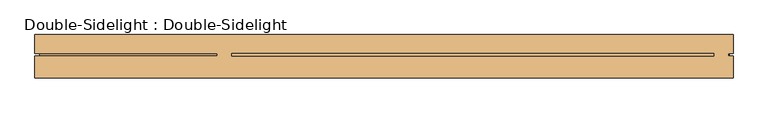
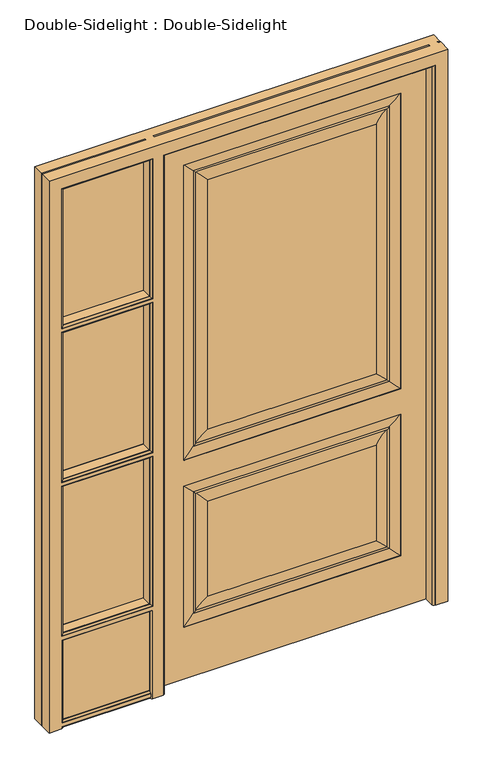
"""IFC4 building model written with IfcOpenShell, lengths in millimetres: door geometry, Double-Sidelight : Double-Sidelight."""

from ifc_helpers import new_model, si_unit, frame, origin, place, context, project, spatial, polyline, circle_curve, ellipse_curve, outline, extrude, source, transform, mapped, element, save
from ifc_brep_helpers import plane_surface, cylinder_surface, revolved_surface, advanced_brep


def double_sidelight_double_sidelight_c1c2709d(model_context):
    return source(origin(), model_context, "Body", "SolidModel", [
        advanced_brep(
        [(496.4, 0.0, 2086.6), (496.4, 44.45, 2086.6), (-496.4, 44.45, 2086.6), (-496.4, 0.0, 2086.6), (496.4, 0.0, 0.0), (-496.4, 0.0, 0.0), (-496.4, 44.45, 0.0), (496.4, 44.45, 0.0), (308.036302, 0.0, 657.1696353), (-308.036302, 0.0, 657.1696353), (-308.036302, 0.0, 288.363698), (308.036302, 0.0, 288.363698), (308.036302, 0.0, 1898.236302), (-308.036302, 0.0, 1898.236302), (-308.036302, 0.0, 933.8970313), (308.036302, 0.0, 933.8970313), (396.4, 0.0, 200.0), (-396.4, 0.0, 200.0), (-396.4, 0.0, 745.5333333), (396.4, 0.0, 745.5333333), (396.4, 0.0, 845.5333333), (-396.4, 0.0, 845.5333333), (-396.4, 0.0, 1986.6), (396.4, 0.0, 1986.6), (396.4, 1.0183566, 200.0), (396.4, 1.0183566, 745.5333333), (350.7336102, 6.6315511, 699.8669435), (350.7336102, 6.6315511, 245.6663898), (358.1657406, 4.9144196, 238.2342594), (358.1657406, 4.9144196, 707.2990739), (-396.4, 1.0183566, 200.0), (-350.7336102, 6.6315511, 245.6663898), (-358.1657406, 4.9144196, 238.2342594), (-396.4, 1.0183566, 745.5333333), (-350.7336102, 6.6315511, 699.8669435), (-358.1657406, 4.9144196, 707.2990739), (396.4, 1.0183566, 845.5333333), (396.4, 1.0183566, 1986.6), (350.7336102, 6.6315511, 1940.9336102), (350.7336102, 6.6315511, 891.1997232), (358.1657406, 4.9144196, 883.7675927), (358.1657406, 4.9144196, 1948.3657406), (-396.4, 1.0183566, 845.5333333), (-350.7336102, 6.6315511, 891.1997232), (-358.1657406, 4.9144196, 883.7675927), (-396.4, 1.0183566, 1986.6), (-350.7336102, 6.6315511, 1940.9336102), (-358.1657406, 4.9144196, 1948.3657406)],
        [
            (0, 1),
            (1, 2),
            (2, 3),
            (3, 0),
            (4, 5),
            (5, 6),
            (6, 7),
            (7, 4),
            (8, 9),
            (9, 10),
            (10, 11),
            (11, 8),
            (12, 13),
            (13, 14),
            (14, 15),
            (15, 12),
            (3, 5),
            (4, 0),
            (16, 17),
            (17, 18),
            (18, 19),
            (19, 16),
            (20, 21),
            (21, 22),
            (22, 23),
            (23, 20),
            (2, 6),
            (1, 7),
            (24, 16),
            (19, 25),
            (25, 24),
            (26, 8, ellipse_curve(frame((341.7362017, -76.2078428, 690.869535), z_axis=(-0.7071067811865475, 0.0, 0.7071067811865475), x_axis=(0.7071067811865474, 0.0, 0.7071067811865476)), 117.8415763, 83.3265777)),
            (11, 27, ellipse_curve(frame((341.7362017, -76.2078428, 254.6637983), z_axis=(-0.7071067811865475, 0.0, -0.7071067811865475), x_axis=(-0.7071067811865474, 0.0, 0.7071067811865476)), 117.8415763, 83.3265777)),
            (27, 26),
            (27, 28, ellipse_curve(frame((354.6915169, 6.8197298, 241.7084831), z_axis=(0.7071067811865475, 0.0, 0.7071067811865475), x_axis=(0.7071067811865474, 0.0, -0.7071067811865476)), 5.6036483, 3.9623777)),
            (28, 29),
            (29, 26, ellipse_curve(frame((354.6915169, 6.8197298, 703.8248503), z_axis=(0.7071067811865475, 0.0, -0.7071067811865475), x_axis=(-0.7071067811865474, 0.0, -0.7071067811865476)), 5.6036483, 3.9623777)),
            (25, 29, ellipse_curve(frame((389.6777904, 124.6047169, 738.8111238), z_axis=(0.7071067811865475, 0.0, -0.7071067811865475), x_axis=(-0.7071067811865474, 0.0, -0.7071067811865476)), 175.0358624, 123.7690453)),
            (28, 24, ellipse_curve(frame((389.6777904, 124.6047169, 206.7222096), z_axis=(0.7071067811865475, 0.0, 0.7071067811865475), x_axis=(0.7071067811865474, 0.0, -0.7071067811865476)), 175.0358624, 123.7690453)),
            (30, 17),
            (24, 30),
            (10, 31, ellipse_curve(frame((-341.7362017, -76.2078428, 254.6637983), z_axis=(-0.7071067811865475, 0.0, 0.7071067811865475), x_axis=(0.7071067811865476, 0.0, 0.7071067811865474)), 117.8415763, 83.3265777)),
            (31, 27),
            (31, 32, ellipse_curve(frame((-354.6915169, 6.8197298, 241.7084831), z_axis=(0.7071067811865475, 0.0, -0.7071067811865475), x_axis=(-0.7071067811865476, 0.0, -0.7071067811865474)), 5.6036483, 3.9623777)),
            (32, 28),
            (32, 30, ellipse_curve(frame((-389.6777904, 124.6047169, 206.7222096), z_axis=(0.7071067811865475, 0.0, -0.7071067811865475), x_axis=(-0.7071067811865476, 0.0, -0.7071067811865474)), 175.0358624, 123.7690453)),
            (33, 18),
            (30, 33),
            (9, 34, ellipse_curve(frame((-341.7362017, -76.2078428, 690.869535), z_axis=(0.7071067811865475, 0.0, 0.7071067811865475), x_axis=(0.7071067811865474, 0.0, -0.7071067811865476)), 117.8415763, 83.3265777)),
            (34, 31),
            (34, 35, ellipse_curve(frame((-354.6915169, 6.8197298, 703.8248503), z_axis=(-0.7071067811865475, 0.0, -0.7071067811865475), x_axis=(-0.7071067811865474, 0.0, 0.7071067811865476)), 5.6036483, 3.9623777)),
            (35, 32),
            (35, 33, ellipse_curve(frame((-389.6777904, 124.6047169, 738.8111238), z_axis=(-0.7071067811865475, 0.0, -0.7071067811865475), x_axis=(-0.7071067811865474, 0.0, 0.7071067811865476)), 175.0358624, 123.7690453)),
            (33, 25),
            (26, 34),
            (29, 35),
            (36, 20),
            (23, 37),
            (37, 36),
            (38, 12, ellipse_curve(frame((341.7362017, -76.2078428, 1931.9362017), z_axis=(-0.7071067811865475, 0.0, 0.7071067811865475), x_axis=(0.7071067811865474, 0.0, 0.7071067811865476)), 117.8415763, 83.3265777)),
            (15, 39, ellipse_curve(frame((341.7362017, -76.2078428, 900.1971316), z_axis=(-0.7071067811865475, 0.0, -0.7071067811865475), x_axis=(-0.7071067811865474, 0.0, 0.7071067811865476)), 117.8415763, 83.3265777)),
            (39, 38),
            (39, 40, ellipse_curve(frame((354.6915169, 6.8197298, 887.2418164), z_axis=(0.7071067811865475, 0.0, 0.7071067811865475), x_axis=(0.7071067811865474, 0.0, -0.7071067811865476)), 5.6036483, 3.9623777)),
            (40, 41),
            (41, 38, ellipse_curve(frame((354.6915169, 6.8197298, 1944.8915169), z_axis=(0.7071067811865475, 0.0, -0.7071067811865475), x_axis=(-0.7071067811865474, 0.0, -0.7071067811865476)), 5.6036483, 3.9623777)),
            (37, 41, ellipse_curve(frame((389.6777904, 124.6047169, 1979.8777904), z_axis=(0.7071067811865475, 0.0, -0.7071067811865475), x_axis=(-0.7071067811865474, 0.0, -0.7071067811865476)), 175.0358624, 123.7690453)),
            (40, 36, ellipse_curve(frame((389.6777904, 124.6047169, 852.2555429), z_axis=(0.7071067811865475, 0.0, 0.7071067811865475), x_axis=(0.7071067811865474, 0.0, -0.7071067811865476)), 175.0358624, 123.7690453)),
            (42, 21),
            (36, 42),
            (14, 43, ellipse_curve(frame((-341.7362017, -76.2078428, 900.1971316), z_axis=(-0.7071067811865475, 0.0, 0.7071067811865475), x_axis=(0.7071067811865476, 0.0, 0.7071067811865474)), 117.8415763, 83.3265777)),
            (43, 39),
            (43, 44, ellipse_curve(frame((-354.6915169, 6.8197298, 887.2418164), z_axis=(0.7071067811865475, 0.0, -0.7071067811865475), x_axis=(-0.7071067811865476, 0.0, -0.7071067811865474)), 5.6036483, 3.9623777)),
            (44, 40),
            (44, 42, ellipse_curve(frame((-389.6777904, 124.6047169, 852.2555429), z_axis=(0.7071067811865475, 0.0, -0.7071067811865475), x_axis=(-0.7071067811865476, 0.0, -0.7071067811865474)), 175.0358624, 123.7690453)),
            (45, 22),
            (42, 45),
            (13, 46, ellipse_curve(frame((-341.7362017, -76.2078428, 1931.9362017), z_axis=(0.7071067811865475, 0.0, 0.7071067811865475), x_axis=(0.7071067811865474, 0.0, -0.7071067811865476)), 117.8415763, 83.3265777)),
            (46, 43),
            (46, 47, ellipse_curve(frame((-354.6915169, 6.8197298, 1944.8915169), z_axis=(-0.7071067811865475, 0.0, -0.7071067811865475), x_axis=(-0.7071067811865474, 0.0, 0.7071067811865476)), 5.6036483, 3.9623777)),
            (47, 44),
            (47, 45, ellipse_curve(frame((-389.6777904, 124.6047169, 1979.8777904), z_axis=(-0.7071067811865475, 0.0, -0.7071067811865475), x_axis=(-0.7071067811865474, 0.0, 0.7071067811865476)), 175.0358624, 123.7690453)),
            (45, 37),
            (38, 46),
            (41, 47),
        ],
        [
            plane_surface(frame((-496.4, 0.0, 2086.6), z_axis=(0.0, 0.0, 1.0), x_axis=(-1.0, 0.0, 0.0))),
            plane_surface(frame((-496.4, 0.0, 0.0), z_axis=(0.0, 0.0, -1.0), x_axis=(1.0, 0.0, 0.0))),
            plane_surface(frame((496.4, 0.0, 2086.6), z_axis=(0.0, -1.0, 0.0), x_axis=(0.0, 0.0, -1.0))),
            plane_surface(frame((-496.4, 0.0, 2086.6), z_axis=(-1.0, 0.0, 0.0), x_axis=(0.0, 0.0, -1.0))),
            plane_surface(frame((-496.4, 44.45, 2086.6), z_axis=(0.0, 1.0, 0.0), x_axis=(0.0, 0.0, -1.0))),
            plane_surface(frame((496.4, 44.45, 2086.6), z_axis=(1.0, 0.0, 0.0), x_axis=(0.0, 0.0, -1.0))),
            plane_surface(frame((396.4, 1.0183566, 745.5333333), z_axis=(-1.0, 0.0, 0.0), x_axis=(0.0, 0.0, -1.0))),
            revolved_surface(polyline([(258.409624, -76.2078428, 774.196112707442), (258.409624, -76.2078428, 171.33722059255808)]), (341.7362017, -76.2078428, 745.5333333), (0.0, 0.0, 1.0)),
            cylinder_surface(frame((354.6915169, 6.8197298, 745.5333333), z_axis=(0.0, 0.0, -1.0), x_axis=(-1.0, 0.0, 0.0)), 3.9623777),
            cylinder_surface(frame((389.6777904, 124.6047169, 745.5333333), z_axis=(0.0, 0.0, -1.0), x_axis=(-1.0, 0.0, 0.0)), 123.7690453),
            plane_surface(frame((396.4, 1.0183566, 200.0), z_axis=(0.0, 0.0, 1.0), x_axis=(-1.0, 0.0, 0.0))),
            revolved_surface(polyline([(425.0627794074419, -76.2078428, 337.99037599999997), (-425.0627794074419, -76.2078428, 337.99037599999997)]), (396.4, -76.2078428, 254.6637983), (1.0, 0.0, 0.0)),
            cylinder_surface(frame((396.4, 6.8197298, 241.7084831), z_axis=(-1.0, 0.0, 0.0), x_axis=(0.0, 0.0, 1.0)), 3.9623777),
            cylinder_surface(frame((396.4, 124.6047169, 206.7222096), z_axis=(-1.0, 0.0, 0.0), x_axis=(0.0, 0.0, 1.0)), 123.7690453),
            plane_surface(frame((-396.4, 1.0183566, 200.0), z_axis=(1.0, 0.0, 0.0), x_axis=(0.0, 0.0, 1.0))),
            revolved_surface(polyline([(-258.409624, -76.2078428, 171.33722059255808), (-258.409624, -76.2078428, 774.196112707442)]), (-341.7362017, -76.2078428, 200.0), (0.0, 0.0, -1.0)),
            cylinder_surface(frame((-354.6915169, 6.8197298, 200.0), z_axis=(0.0, 0.0, 1.0), x_axis=(1.0, 0.0, 0.0)), 3.9623777),
            cylinder_surface(frame((-389.6777904, 124.6047169, 200.0), z_axis=(0.0, 0.0, 1.0), x_axis=(1.0, 0.0, 0.0)), 123.7690453),
            plane_surface(frame((-396.4, 1.0183566, 745.5333333), z_axis=(0.0, 0.0, -1.0), x_axis=(1.0, 0.0, 0.0))),
            revolved_surface(polyline([(-425.0627794074419, -76.2078428, 607.5429573), (425.0627794074419, -76.2078428, 607.5429573)]), (-396.4, -76.2078428, 690.869535), (-1.0, 0.0, 0.0)),
            cylinder_surface(frame((-396.4, 6.8197298, 703.8248503), z_axis=(1.0, 0.0, 0.0), x_axis=(0.0, 0.0, -1.0)), 3.9623777),
            cylinder_surface(frame((-396.4, 124.6047169, 738.8111238), z_axis=(1.0, 0.0, 0.0), x_axis=(0.0, 0.0, -1.0)), 123.7690453),
            plane_surface(frame((396.4, 1.0183566, 1986.6), z_axis=(-1.0, 0.0, 0.0), x_axis=(0.0, 0.0, -1.0))),
            revolved_surface(polyline([(258.409624, -76.2078428, 2015.262779407442), (258.409624, -76.2078428, 816.8705538925581)]), (341.7362017, -76.2078428, 1986.6), (0.0, 0.0, 1.0)),
            cylinder_surface(frame((354.6915169, 6.8197298, 1986.6), z_axis=(0.0, 0.0, -1.0), x_axis=(-1.0, 0.0, 0.0)), 3.9623777),
            cylinder_surface(frame((389.6777904, 124.6047169, 1986.6), z_axis=(0.0, 0.0, -1.0), x_axis=(-1.0, 0.0, 0.0)), 123.7690453),
            plane_surface(frame((396.4, 1.0183566, 845.5333333), z_axis=(0.0, 0.0, 1.0), x_axis=(-1.0, 0.0, 0.0))),
            revolved_surface(polyline([(425.0627794074419, -76.2078428, 983.5237093000001), (-425.0627794074419, -76.2078428, 983.5237093000001)]), (396.4, -76.2078428, 900.1971316), (1.0, 0.0, 0.0)),
            cylinder_surface(frame((396.4, 6.8197298, 887.2418164), z_axis=(-1.0, 0.0, 0.0), x_axis=(0.0, 0.0, 1.0)), 3.9623777),
            cylinder_surface(frame((396.4, 124.6047169, 852.2555429), z_axis=(-1.0, 0.0, 0.0), x_axis=(0.0, 0.0, 1.0)), 123.7690453),
            plane_surface(frame((-396.4, 1.0183566, 845.5333333), z_axis=(1.0, 0.0, 0.0), x_axis=(0.0, 0.0, 1.0))),
            revolved_surface(polyline([(-258.409624, -76.2078428, 816.8705538925581), (-258.409624, -76.2078428, 2015.262779407442)]), (-341.7362017, -76.2078428, 845.5333333), (0.0, 0.0, -1.0)),
            cylinder_surface(frame((-354.6915169, 6.8197298, 845.5333333), z_axis=(0.0, 0.0, 1.0), x_axis=(1.0, 0.0, 0.0)), 3.9623777),
            cylinder_surface(frame((-389.6777904, 124.6047169, 845.5333333), z_axis=(0.0, 0.0, 1.0), x_axis=(1.0, 0.0, 0.0)), 123.7690453),
            plane_surface(frame((-396.4, 1.0183566, 1986.6), z_axis=(0.0, 0.0, -1.0), x_axis=(1.0, 0.0, 0.0))),
            revolved_surface(polyline([(-425.0627794074419, -76.2078428, 1848.6096240000002), (425.0627794074419, -76.2078428, 1848.6096240000002)]), (-396.4, -76.2078428, 1931.9362017), (-1.0, 0.0, 0.0)),
            cylinder_surface(frame((-396.4, 6.8197298, 1944.8915169), z_axis=(1.0, 0.0, 0.0), x_axis=(0.0, 0.0, -1.0)), 3.9623777),
            cylinder_surface(frame((-396.4, 124.6047169, 1979.8777904), z_axis=(1.0, 0.0, 0.0), x_axis=(0.0, 0.0, -1.0)), 123.7690453),
        ],
        [
            (0, [[1, 2, 3, 4]]),
            (1, [[5, 6, 7, 8]]),
            (2, [[9, 10, 11, 12]]),
            (2, [[13, 14, 15, 16]]),
            (2, [[17, -5, 18, -4], [19, 20, 21, 22], [23, 24, 25, 26]]),
            (3, [[27, -6, -17, -3]]),
            (4, [[28, -7, -27, -2]]),
            (5, [[-18, -8, -28, -1]]),
            (6, [[29, -22, 30, 31]]),
            (7, [[32, -12, 33, 34]]),
            (8, [[35, 36, 37, -34]]),
            (9, [[38, -36, 39, -31]]),
            (10, [[40, -19, -29, 41]]),
            (11, [[-33, -11, 42, 43]]),
            (12, [[-43, 44, 45, -35]]),
            (13, [[-45, 46, -41, -39]]),
            (14, [[47, -20, -40, 48]]),
            (15, [[-42, -10, 49, 50]]),
            (16, [[-50, 51, 52, -44]]),
            (17, [[-52, 53, -48, -46]]),
            (18, [[-30, -21, -47, 54]]),
            (19, [[-49, -9, -32, 55]]),
            (20, [[56, -51, -55, -37]]),
            (21, [[-54, -53, -56, -38]]),
            (22, [[57, -26, 58, 59]]),
            (23, [[60, -16, 61, 62]]),
            (24, [[63, 64, 65, -62]]),
            (25, [[66, -64, 67, -59]]),
            (26, [[68, -23, -57, 69]]),
            (27, [[-61, -15, 70, 71]]),
            (28, [[-71, 72, 73, -63]]),
            (29, [[-73, 74, -69, -67]]),
            (30, [[75, -24, -68, 76]]),
            (31, [[-70, -14, 77, 78]]),
            (32, [[-78, 79, 80, -72]]),
            (33, [[-80, 81, -76, -74]]),
            (34, [[-58, -25, -75, 82]]),
            (35, [[-77, -13, -60, 83]]),
            (36, [[84, -79, -83, -65]]),
            (37, [[-82, -81, -84, -66]]),
        ],
    ),
        extrude(outline(polyline([(-874.4, 6.0), (-533.4, 6.0), (-533.4, 0.0), (-874.4, 0.0), (-874.4, 6.0)])), frame((0.0, 0.0, 960.7333333), z_axis=(0.0, 0.0, 1.0), x_axis=(1.0, 0.0, 0.0)), (0.0, 0.0, 1.0), 573.3333333),
        advanced_brep(
        [(-867.4, -45.0, 0.0), (-914.4, -45.0, 0.0), (-914.4, 0.0, 0.0), (-904.4, 0.0, 0.0), (-904.4, 6.0, 0.0), (-914.4, 6.0, 0.0), (-914.4, 45.0, 0.0), (-496.4, 45.0, 0.0), (-496.4, 6.0, 0.0), (-503.4, 6.0, 0.0), (-503.4, 0.0, 0.0), (-488.4, 0.0, 0.0), (-488.4, -37.0, 0.0), (-490.4, -37.0, 0.0), (-496.4, -43.0, 0.0), (-496.4, -45.0, 0.0), (-535.4, -45.0, 0.0), (-535.4, -43.0, 0.0), (-541.4, -37.0, 0.0), (-861.4, -37.0, 0.0), (-867.4, -43.0, 0.0), (-533.4, 6.0, 0.0), (-874.4, 6.0, 0.0), (-874.4, 0.0, 0.0), (-533.4, 0.0, 0.0), (-867.4, -45.0, 1532.0666667), (-867.4, -45.0, 951.5333333), (-867.4, -43.0, 951.5333333), (-867.4, -43.0, 1532.0666667), (-867.4, -45.0, 937.5333333), (-867.4, -45.0, 357.0), (-867.4, -43.0, 357.0), (-867.4, -43.0, 937.5333333), (-867.4, -45.0, 2086.6), (-867.4, -45.0, 1546.0666667), (-867.4, -43.0, 1546.0666667), (-867.4, -43.0, 2086.6), (-867.4, -43.0, 8.0), (-867.4, -45.0, 8.0), (-867.4, -45.0, 343.0), (-867.4, -45.0, 22.0), (-867.4, -43.0, 22.0), (-867.4, -43.0, 343.0), (-861.4, -37.0, 957.5333333), (-861.4, -37.0, 1526.0666667), (-861.4, -37.0, 363.0), (-861.4, -37.0, 931.5333333), (-861.4, -37.0, 1552.0666667), (-861.4, -37.0, 2080.6), (-861.4, -37.0, 28.0), (-861.4, -37.0, 337.0), (-861.4, -37.0, 2.0), (-541.4, -37.0, 957.5333333), (-541.4, -37.0, 1526.0666667), (-543.4, -37.0, 1524.0666667), (-543.4, -37.0, 959.5333333), (-859.4, -37.0, 959.5333333), (-859.4, -37.0, 1524.0666667), (-541.4, -37.0, 363.0), (-541.4, -37.0, 931.5333333), (-543.4, -37.0, 929.5333333), (-543.4, -37.0, 365.0), (-859.4, -37.0, 365.0), (-859.4, -37.0, 929.5333333), (-541.4, -37.0, 337.0), (-543.4, -37.0, 28.0), (-543.4, -37.0, 2.0), (-859.4, -37.0, 335.0), (-543.4, -37.0, 335.0), (-543.4, -37.0, 30.0), (-859.4, -37.0, 30.0), (-541.4, -37.0, 1552.0666667), (-541.4, -37.0, 2080.6), (-543.4, -37.0, 2078.6), (-543.4, -37.0, 1554.0666667), (-859.4, -37.0, 1554.0666667), (-859.4, -37.0, 2078.6), (490.4, -37.0, 2080.6), (-490.4, -37.0, 2080.6), (-488.4, -37.0, 2078.6), (488.4, -37.0, 2078.6), (488.4, -37.0, 0.0), (490.4, -37.0, 0.0), (-859.4, 0.0, 959.5333333), (-859.4, 0.0, 1524.0666667), (-859.4, 0.0, 365.0), (-859.4, 0.0, 929.5333333), (-859.4, 0.0, 1554.0666667), (-859.4, 0.0, 2078.6), (-859.4, 0.0, 30.0), (-859.4, 0.0, 335.0), (488.4, 0.0, 2078.6), (-488.4, 0.0, 2078.6), (-503.4, 0.0, 2093.6), (503.4, 0.0, 2093.6), (503.4, 0.0, 1544.0666667), (496.4, 0.0, 1544.0666667), (496.4, 0.0, 1534.0666667), (503.4, 0.0, 1534.0666667), (503.4, 0.0, 0.0), (488.4, 0.0, 0.0), (-874.4, 0.0, 2093.6), (-533.4, 0.0, 2093.6), (-543.4, 0.0, 959.5333333), (-543.4, 0.0, 1524.0666667), (-543.4, 0.0, 365.0), (-543.4, 0.0, 929.5333333), (-543.4, 0.0, 335.0), (-543.4, 0.0, 30.0), (-867.4, 0.0, 345.0), (-535.4, 0.0, 345.0), (-535.4, 0.0, 355.0), (-867.4, 0.0, 355.0), (-867.4, 0.0, 939.5333333), (-535.4, 0.0, 939.5333333), (-535.4, 0.0, 949.5333333), (-867.4, 0.0, 949.5333333), (-543.4, 0.0, 1554.0666667), (-543.4, 0.0, 2078.6), (-867.4, 0.0, 1534.0666667), (-535.4, 0.0, 1534.0666667), (-535.4, 0.0, 1544.0666667), (-867.4, 0.0, 1544.0666667), (-543.4, 0.0, 20.0), (-867.4, 0.0, 20.0), (-867.4, 0.0, 10.0), (-543.4, 0.0, 10.0), (-874.4, 6.0, 2093.6), (-533.4, 6.0, 2093.6), (-543.4, 6.0, 1524.0666667), (-543.4, 6.0, 959.5333333), (-867.4, 6.0, 959.5333333), (-867.4, 6.0, 1524.0666667), (-867.4, 6.0, 335.0), (-543.4, 6.0, 335.0), (-543.4, 6.0, 30.0), (-867.4, 6.0, 30.0), (-543.4, 6.0, 929.5333333), (-543.4, 6.0, 365.0), (-867.4, 6.0, 365.0), (-867.4, 6.0, 929.5333333), (-867.4, 6.0, 355.0), (-535.4, 6.0, 355.0), (-535.4, 6.0, 345.0), (-867.4, 6.0, 345.0), (-867.4, 6.0, 949.5333333), (-535.4, 6.0, 949.5333333), (-535.4, 6.0, 939.5333333), (-867.4, 6.0, 939.5333333), (-543.4, 6.0, 2086.6), (-543.4, 6.0, 1554.0666667), (-867.4, 6.0, 1554.0666667), (-867.4, 6.0, 2086.6), (-867.4, 6.0, 1544.0666667), (-535.4, 6.0, 1544.0666667), (-535.4, 6.0, 1534.0666667), (-867.4, 6.0, 1534.0666667), (-867.4, 6.0, 20.0), (-543.4, 6.0, 20.0), (-543.4, 6.0, 10.0), (-867.4, 6.0, 10.0), (503.4, 6.0, 1544.0666667), (503.4, 6.0, 2093.6), (-503.4, 6.0, 2093.6), (-496.4, 6.0, 2086.6), (496.4, 6.0, 2086.6), (496.4, 6.0, 1544.0666667), (503.4, 6.0, 0.0), (503.4, 6.0, 1534.0666667), (496.4, 6.0, 1534.0666667), (496.4, 6.0, 0.0), (-867.4, 45.0, 959.5333333), (-867.4, 45.0, 1524.0666667), (-867.4, 45.0, 365.0), (-867.4, 45.0, 929.5333333), (-867.4, 45.0, 1554.0666667), (-867.4, 45.0, 2086.6), (-867.4, 45.0, 30.0), (-867.4, 45.0, 335.0), (-914.4, 45.0, 2133.6), (543.4, 45.0, 2133.6), (543.4, 45.0, 0.0), (496.4, 45.0, 0.0), (496.4, 45.0, 2086.6), (-496.4, 45.0, 2086.6), (-543.4, 45.0, 959.5333333), (-543.4, 45.0, 1524.0666667), (-543.4, 45.0, 365.0), (-543.4, 45.0, 929.5333333), (-543.4, 45.0, 335.0), (-543.4, 45.0, 30.0), (-543.4, 45.0, 1554.0666667), (-543.4, 45.0, 2086.6), (-914.4, 6.0, 2133.6), (-904.4, 6.0, 2123.6), (-543.4, 6.0, 2123.6), (-533.4, 6.0, 2123.6), (-533.4, 6.0, 2133.6), (503.4, 6.0, 2123.6), (503.4, 6.0, 2133.6), (-503.4, 6.0, 2133.6), (-503.4, 6.0, 2123.6), (-496.4, 6.0, 2123.6), (496.4, 6.0, 2123.6), (543.4, 6.0, 2133.6), (533.4, 6.0, 2133.6), (533.4, 6.0, 1554.0666667), (533.4, 6.0, 1544.0666667), (535.4, 6.0, 1544.0666667), (535.4, 6.0, 1534.0666667), (533.4, 6.0, 1534.0666667), (533.4, 6.0, 1524.0666667), (533.4, 6.0, 0.0), (543.4, 6.0, 0.0), (-904.4, 0.0, 2123.6), (-914.4, 0.0, 2133.6), (-533.4, 0.0, 2133.6), (-533.4, 0.0, 2123.6), (-543.4, 0.0, 2123.6), (488.4, 0.0, 2123.6), (-488.4, 0.0, 2123.6), (-503.4, 0.0, 2123.6), (-503.4, 0.0, 2133.6), (503.4, 0.0, 2133.6), (503.4, 0.0, 2123.6), (533.4, 0.0, 0.0), (533.4, 0.0, 1524.0666667), (533.4, 0.0, 1534.0666667), (535.4, 0.0, 1534.0666667), (535.4, 0.0, 1544.0666667), (533.4, 0.0, 1544.0666667), (533.4, 0.0, 1554.0666667), (533.4, 0.0, 2133.6), (543.4, 0.0, 2133.6), (543.4, 0.0, 0.0), (-914.4, -45.0, 2133.6), (-543.4, -45.0, 8.0), (-543.4, -45.0, 22.0), (-535.4, -45.0, 343.0), (-496.4, -45.0, 2086.6), (496.4, -45.0, 2086.6), (496.4, -45.0, 0.0), (543.4, -45.0, 0.0), (543.4, -45.0, 2133.6), (-535.4, -45.0, 1532.0666667), (-535.4, -45.0, 951.5333333), (-535.4, -45.0, 937.5333333), (-535.4, -45.0, 357.0), (-535.4, -45.0, 2086.6), (-535.4, -45.0, 1546.0666667), (-535.4, -43.0, 343.0), (-535.4, -43.0, 951.5333333), (-535.4, -43.0, 937.5333333), (-535.4, -43.0, 357.0), (-535.4, -43.0, 1532.0666667), (-535.4, -43.0, 1546.0666667), (-535.4, -43.0, 2086.6), (543.4, -37.0, 0.0), (496.4, -43.0, 0.0), (-496.4, -43.0, 2086.6), (496.4, -43.0, 1532.0666667), (496.4, -43.0, 1546.0666667), (496.4, -43.0, 2086.6), (-543.4, -43.0, 8.0), (-543.4, -43.0, 22.0)],
        [
            (0, 1),
            (1, 2),
            (2, 3),
            (3, 4),
            (4, 5),
            (5, 6),
            (6, 7),
            (7, 8),
            (8, 9),
            (9, 10),
            (10, 11),
            (11, 12),
            (12, 13),
            (13, 14, circle_curve(frame((-496.4, -37.0, 0.0), z_axis=(0.0, 0.0, -1.0), x_axis=(0.0, 1.0, 0.0)), 6.0)),
            (14, 15),
            (15, 16),
            (16, 17),
            (17, 18, circle_curve(frame((-535.4, -37.0, 0.0), z_axis=(0.0, 0.0, -1.0), x_axis=(0.0, 1.0, 0.0)), 6.0)),
            (18, 19),
            (19, 20, circle_curve(frame((-867.4, -37.0, 0.0), z_axis=(0.0, 0.0, -1.0), x_axis=(0.0, 1.0, 0.0)), 6.0)),
            (20, 0),
            (21, 22),
            (22, 23),
            (23, 24),
            (24, 21),
            (25, 26),
            (26, 27),
            (27, 28),
            (28, 25),
            (29, 30),
            (30, 31),
            (31, 32),
            (32, 29),
            (33, 34),
            (34, 35),
            (35, 36),
            (36, 33),
            (20, 37),
            (37, 38),
            (38, 0),
            (39, 40),
            (40, 41),
            (41, 42),
            (42, 39),
            (27, 43, ellipse_curve(frame((-867.4, -37.0, 951.5333333), z_axis=(-0.7071067811865475, 0.0, 0.7071067811865475), x_axis=(-0.7071067811865474, 0.0, -0.7071067811865476)), 8.4852814, 6.0)),
            (43, 44),
            (44, 28, ellipse_curve(frame((-867.4, -37.0, 1532.0666667), z_axis=(-0.7071067811865475, 0.0, -0.7071067811865475), x_axis=(0.7071067811865474, 0.0, -0.7071067811865476)), 8.4852814, 6.0)),
            (31, 45, ellipse_curve(frame((-867.4, -37.0, 357.0), z_axis=(-0.7071067811865475, 0.0, 0.7071067811865475), x_axis=(-0.7071067811865474, 0.0, -0.7071067811865476)), 8.4852814, 6.0)),
            (45, 46),
            (46, 32, ellipse_curve(frame((-867.4, -37.0, 937.5333333), z_axis=(-0.7071067811865475, 0.0, -0.7071067811865475), x_axis=(0.7071067811865474, 0.0, -0.7071067811865476)), 8.4852814, 6.0)),
            (35, 47, ellipse_curve(frame((-867.4, -37.0, 1546.0666667), z_axis=(-0.7071067811865475, 0.0, 0.7071067811865475), x_axis=(-0.7071067811865474, 0.0, -0.7071067811865476)), 8.4852814, 6.0)),
            (47, 48),
            (48, 36, ellipse_curve(frame((-867.4, -37.0, 2086.6), z_axis=(-0.7071067811865475, 0.0, -0.7071067811865475), x_axis=(0.7071067811865474, 0.0, -0.7071067811865476)), 8.4852814, 6.0)),
            (41, 49, ellipse_curve(frame((-867.4, -37.0, 22.0), z_axis=(-0.7071067811865476, 0.0, 0.7071067811865475), x_axis=(-0.7071067811865475, 0.0, -0.7071067811865476)), 8.4852814, 6.0)),
            (49, 50),
            (50, 42, ellipse_curve(frame((-867.4, -37.0, 343.0), z_axis=(-0.7071067811865475, 0.0, -0.7071067811865475), x_axis=(0.7071067811865474, 0.0, -0.7071067811865476)), 8.4852814, 6.0)),
            (19, 51),
            (51, 37, ellipse_curve(frame((-867.4, -37.0, 8.0), z_axis=(-0.7071067811865475, 0.0, -0.7071067811865476), x_axis=(0.7071067811865476, 0.0, -0.7071067811865475)), 8.4852814, 6.0)),
            (43, 52),
            (52, 53),
            (53, 44),
            (54, 55),
            (55, 56),
            (56, 57),
            (57, 54),
            (45, 58),
            (58, 59),
            (59, 46),
            (60, 61),
            (61, 62),
            (62, 63),
            (63, 60),
            (18, 64),
            (64, 50),
            (49, 65),
            (65, 66),
            (66, 51),
            (67, 68),
            (68, 69),
            (69, 70),
            (70, 67),
            (47, 71),
            (71, 72),
            (72, 48),
            (73, 74),
            (74, 75),
            (75, 76),
            (76, 73),
            (77, 78),
            (78, 13),
            (12, 79),
            (79, 80),
            (80, 81),
            (81, 82),
            (82, 77),
            (56, 83),
            (83, 84),
            (84, 57),
            (62, 85),
            (85, 86),
            (86, 63),
            (75, 87),
            (87, 88),
            (88, 76),
            (70, 89),
            (89, 90),
            (90, 67),
            (91, 92),
            (92, 11),
            (10, 93),
            (93, 94),
            (94, 95),
            (95, 96),
            (96, 97),
            (97, 98),
            (98, 99),
            (99, 100),
            (100, 91),
            (101, 102),
            (102, 24),
            (23, 101),
            (83, 103),
            (103, 104),
            (104, 84),
            (85, 105),
            (105, 106),
            (106, 86),
            (107, 90),
            (89, 108),
            (108, 107),
            (109, 110),
            (110, 111),
            (111, 112),
            (112, 109),
            (113, 114),
            (114, 115),
            (115, 116),
            (116, 113),
            (87, 117),
            (117, 118),
            (118, 88),
            (119, 120),
            (120, 121),
            (121, 122),
            (122, 119),
            (123, 124),
            (124, 125),
            (125, 126),
            (126, 123),
            (22, 127),
            (127, 101),
            (21, 128),
            (128, 127),
            (129, 130),
            (130, 131),
            (131, 132),
            (132, 129),
            (133, 134),
            (134, 135),
            (135, 136),
            (136, 133),
            (137, 138),
            (138, 139),
            (139, 140),
            (140, 137),
            (141, 142),
            (142, 143),
            (143, 144),
            (144, 141),
            (145, 146),
            (146, 147),
            (147, 148),
            (148, 145),
            (149, 150),
            (150, 151),
            (151, 152),
            (152, 149),
            (153, 154),
            (154, 155),
            (155, 156),
            (156, 153),
            (157, 158),
            (158, 159),
            (159, 160),
            (160, 157),
            (161, 162),
            (162, 163),
            (163, 9),
            (8, 164),
            (164, 165),
            (165, 166),
            (166, 161),
            (167, 168),
            (168, 169),
            (169, 170),
            (170, 167),
            (131, 171),
            (171, 172),
            (172, 132),
            (139, 173),
            (173, 174),
            (174, 140),
            (151, 175),
            (175, 176),
            (176, 152),
            (136, 177),
            (177, 178),
            (178, 133),
            (6, 179),
            (179, 180),
            (180, 181),
            (181, 182),
            (182, 183),
            (183, 184),
            (184, 7),
            (171, 185),
            (185, 186),
            (186, 172),
            (173, 187),
            (187, 188),
            (188, 174),
            (189, 178),
            (177, 190),
            (190, 189),
            (175, 191),
            (191, 192),
            (192, 176),
            (5, 193),
            (193, 179),
            (4, 194),
            (194, 195),
            (195, 196),
            (196, 197),
            (197, 193),
            (198, 199),
            (199, 200),
            (200, 201),
            (201, 202),
            (202, 203),
            (203, 198),
            (204, 205),
            (205, 206),
            (206, 207),
            (207, 208),
            (208, 209),
            (209, 210),
            (210, 211),
            (211, 212),
            (212, 213),
            (213, 204),
            (3, 214),
            (214, 194),
            (2, 215),
            (215, 216),
            (216, 217),
            (217, 218),
            (218, 214),
            (219, 220),
            (220, 221),
            (221, 222),
            (222, 223),
            (223, 224),
            (224, 219),
            (225, 226),
            (226, 227),
            (227, 228),
            (228, 229),
            (229, 230),
            (230, 231),
            (231, 232),
            (232, 233),
            (233, 234),
            (234, 225),
            (1, 235),
            (235, 215),
            (38, 236),
            (236, 237),
            (237, 40),
            (39, 238),
            (238, 16),
            (15, 239),
            (239, 240),
            (240, 241),
            (241, 242),
            (242, 243),
            (243, 235),
            (244, 245),
            (245, 26),
            (25, 244),
            (246, 247),
            (247, 30),
            (29, 246),
            (248, 249),
            (249, 34),
            (33, 248),
            (42, 250),
            (250, 238),
            (245, 251),
            (251, 27),
            (32, 252),
            (252, 246),
            (247, 253),
            (253, 31),
            (64, 250, ellipse_curve(frame((-535.4, -37.0, 343.0), z_axis=(-0.7071067811865476, 0.0, 0.7071067811865475), x_axis=(-0.7071067811865475, 0.0, -0.7071067811865476)), 8.4852814, 6.0)),
            (251, 52, ellipse_curve(frame((-535.4, -37.0, 951.5333333), z_axis=(-0.7071067811865475, 0.0, -0.7071067811865476), x_axis=(-0.7071067811865476, 0.0, 0.7071067811865475)), 8.4852814, 6.0)),
            (59, 252, ellipse_curve(frame((-535.4, -37.0, 937.5333333), z_axis=(-0.7071067811865476, 0.0, 0.7071067811865475), x_axis=(-0.7071067811865475, 0.0, -0.7071067811865476)), 8.4852814, 6.0)),
            (253, 58, ellipse_curve(frame((-535.4, -37.0, 357.0), z_axis=(-0.7071067811865475, 0.0, -0.7071067811865476), x_axis=(-0.7071067811865476, 0.0, 0.7071067811865475)), 8.4852814, 6.0)),
            (251, 254),
            (254, 53, ellipse_curve(frame((-535.4, -37.0, 1532.0666667), z_axis=(0.7071067811865476, 0.0, -0.7071067811865475), x_axis=(0.7071067811865475, 0.0, 0.7071067811865475)), 8.4852814, 6.0)),
            (253, 252),
            (17, 250),
            (71, 255, ellipse_curve(frame((-535.4, -37.0, 1546.0666667), z_axis=(0.7071067811865475, 0.0, 0.7071067811865476), x_axis=(-0.7071067811865475, 0.0, 0.7071067811865475)), 8.4852814, 6.0)),
            (255, 256),
            (256, 72, ellipse_curve(frame((-535.4, -37.0, 2086.6), z_axis=(0.7071067811865476, 0.0, -0.7071067811865475), x_axis=(0.7071067811865475, 0.0, 0.7071067811865475)), 8.4852814, 6.0)),
            (103, 55),
            (54, 104),
            (105, 61),
            (60, 106),
            (117, 74),
            (73, 118),
            (108, 69),
            (68, 107),
            (81, 100),
            (99, 167),
            (170, 182),
            (181, 213),
            (212, 225),
            (234, 257),
            (257, 242),
            (241, 258),
            (258, 82, circle_curve(frame((496.4, -37.0, 0.0), z_axis=(0.0, 0.0, -1.0), x_axis=(0.0, 1.0, 0.0)), 6.0)),
            (92, 79),
            (78, 259, ellipse_curve(frame((-496.4, -37.0, 2086.6), z_axis=(-0.7071067811865475, 0.0, -0.7071067811865476), x_axis=(-0.7071067811865475, 0.0, 0.7071067811865475)), 8.4852814, 6.0)),
            (259, 14),
            (80, 91),
            (258, 260),
            (260, 261),
            (261, 262),
            (262, 77, ellipse_curve(frame((496.4, -37.0, 2086.6), z_axis=(0.7071067811865475, 0.0, -0.7071067811865475), x_axis=(0.7071067811865474, 0.0, 0.7071067811865476)), 8.4852814, 6.0)),
            (102, 128),
            (196, 217),
            (216, 197),
            (112, 141),
            (144, 109),
            (111, 142),
            (110, 143),
            (198, 224),
            (223, 199),
            (163, 93),
            (221, 201),
            (200, 222),
            (161, 95),
            (94, 162),
            (98, 168),
            (116, 145),
            (148, 113),
            (115, 146),
            (114, 147),
            (185, 130),
            (129, 186),
            (187, 138),
            (137, 188),
            (191, 150),
            (149, 192),
            (190, 135),
            (134, 189),
            (184, 164),
            (169, 97),
            (96, 166),
            (165, 183),
            (180, 204),
            (210, 227),
            (230, 207),
            (205, 232),
            (233, 243),
            (244, 254),
            (255, 249),
            (248, 256),
            (240, 262),
            (259, 239),
            (259, 262),
            (36, 256),
            (228, 209),
            (208, 229),
            (122, 153),
            (156, 119),
            (120, 155),
            (154, 121),
            (28, 254),
            (35, 255),
            (37, 263),
            (263, 236),
            (264, 41),
            (237, 264),
            (66, 263, circle_curve(frame((-543.4, -37.0, 8.0), z_axis=(-1.0, 0.0, 0.0), x_axis=(0.0, 1.0, 0.0)), 6.0)),
            (264, 65, circle_curve(frame((-543.4, -37.0, 22.0), z_axis=(-1.0, 0.0, 0.0), x_axis=(0.0, 1.0, 0.0)), 6.0)),
            (126, 159),
            (158, 123),
            (125, 160),
            (124, 157),
        ],
        [
            plane_surface(frame((-914.4, 0.0, 0.0), z_axis=(0.0, 0.0, -1.0), x_axis=(0.0, 1.0, 0.0))),
            plane_surface(frame((-867.4, -45.0, 0.0), z_axis=(1.0, 0.0, 0.0), x_axis=(0.0, 0.0, 1.0))),
            cylinder_surface(frame((-867.4, -37.0, 0.0), z_axis=(0.0, 0.0, -1.0), x_axis=(0.0, 1.0, 0.0)), 6.0),
            plane_surface(frame((-861.4, -37.0, 0.0), z_axis=(0.0, -1.0, 0.0), x_axis=(0.0, 0.0, 1.0))),
            plane_surface(frame((-859.4, -37.0, 0.0), z_axis=(1.0, 0.0, 0.0), x_axis=(0.0, 0.0, 1.0))),
            plane_surface(frame((-859.4, 0.0, 0.0), z_axis=(0.0, 1.0, 0.0), x_axis=(0.0, 0.0, 1.0))),
            plane_surface(frame((-874.4, 0.0, 0.0), z_axis=(1.0, 0.0, 0.0), x_axis=(0.0, 0.0, 1.0))),
            plane_surface(frame((-874.4, 6.0, 0.0), z_axis=(0.0, -1.0, 0.0), x_axis=(0.0, 0.0, 1.0))),
            plane_surface(frame((-867.4, 6.0, 0.0), z_axis=(1.0, 0.0, 0.0), x_axis=(0.0, 0.0, 1.0))),
            plane_surface(frame((-867.4, 45.0, 0.0), z_axis=(0.0, 1.0, 0.0), x_axis=(0.0, 0.0, 1.0))),
            plane_surface(frame((-914.4, 45.0, 0.0), z_axis=(-1.0, 0.0, 0.0), x_axis=(0.0, 0.0, 1.0))),
            plane_surface(frame((-914.4, 6.0, 0.0), z_axis=(0.0, -1.0, 0.0), x_axis=(0.0, 0.0, 1.0))),
            plane_surface(frame((-904.4, 6.0, 0.0), z_axis=(-1.0, 0.0, 0.0), x_axis=(0.0, 0.0, 1.0))),
            plane_surface(frame((-904.4, 0.0, 0.0), z_axis=(0.0, 1.0, 0.0), x_axis=(0.0, 0.0, 1.0))),
            plane_surface(frame((-914.4, 0.0, 0.0), z_axis=(-1.0, 0.0, 0.0), x_axis=(0.0, 0.0, 1.0))),
            plane_surface(frame((-914.4, -45.0, 0.0), z_axis=(0.0, -1.0, 0.0), x_axis=(0.0, 0.0, 1.0))),
            plane_surface(frame((-867.4, -45.0, 343.0), z_axis=(0.0, 0.0, -1.0), x_axis=(1.0, 0.0, 0.0))),
            plane_surface(frame((-867.4, -43.0, 951.5333333), z_axis=(0.0, 0.0, 1.0), x_axis=(1.0, 0.0, 0.0))),
            plane_surface(frame((-867.4, -45.0, 937.5333333), z_axis=(0.0, 0.0, -1.0), x_axis=(1.0, 0.0, 0.0))),
            plane_surface(frame((-867.4, -43.0, 357.0), z_axis=(0.0, 0.0, 1.0), x_axis=(1.0, 0.0, 0.0))),
            cylinder_surface(frame((-867.4, -37.0, 343.0), z_axis=(-1.0, 0.0, 0.0), x_axis=(0.0, 1.0, 0.0)), 6.0),
            cylinder_surface(frame((-867.4, -37.0, 951.5333333), z_axis=(-1.0, 0.0, 0.0), x_axis=(0.0, 1.0, 0.0)), 6.0),
            cylinder_surface(frame((-867.4, -37.0, 937.5333333), z_axis=(-1.0, 0.0, 0.0), x_axis=(0.0, 1.0, 0.0)), 6.0),
            cylinder_surface(frame((-867.4, -37.0, 357.0), z_axis=(-1.0, 0.0, 0.0), x_axis=(0.0, 1.0, 0.0)), 6.0),
            cylinder_surface(frame((-535.4, -37.0, 2133.6), z_axis=(0.0, 0.0, 1.0), x_axis=(0.0, 1.0, 0.0)), 6.0),
            plane_surface(frame((-543.4, -37.0, 2133.6), z_axis=(-1.0, 0.0, 0.0), x_axis=(0.0, 0.0, -1.0))),
            plane_surface(frame((-867.4, -37.0, 335.0), z_axis=(0.0, 0.0, -1.0), x_axis=(1.0, 0.0, 0.0))),
            plane_surface(frame((543.4, 0.0, 0.0), z_axis=(0.0, 0.0, -1.0), x_axis=(0.0, 1.0, 0.0))),
            plane_surface(frame((-488.4, 0.0, 2133.6), z_axis=(1.0, 0.0, 0.0), x_axis=(0.0, 0.0, -1.0))),
            cylinder_surface(frame((-496.4, -37.0, 2133.6), z_axis=(0.0, 0.0, 1.0), x_axis=(0.0, 1.0, 0.0)), 6.0),
            plane_surface(frame((488.4, -37.0, 2078.6), z_axis=(-1.0, 0.0, 0.0), x_axis=(0.0, 0.0, -1.0))),
            cylinder_surface(frame((496.4, -37.0, 2133.6), z_axis=(0.0, 0.0, 1.0), x_axis=(0.0, 1.0, 0.0)), 6.0),
            plane_surface(frame((-867.4, 0.0, 959.5333333), z_axis=(0.0, 0.0, 1.0), x_axis=(1.0, 0.0, 0.0))),
            plane_surface(frame((-867.4, -37.0, 929.5333333), z_axis=(0.0, 0.0, -1.0), x_axis=(1.0, 0.0, 0.0))),
            plane_surface(frame((-867.4, 0.0, 365.0), z_axis=(0.0, 0.0, 1.0), x_axis=(1.0, 0.0, 0.0))),
            plane_surface(frame((-533.4, 0.0, 2133.6), z_axis=(-1.0, 0.0, 0.0), x_axis=(0.0, 0.0, -1.0))),
            plane_surface(frame((-867.4, 0.0, 350.0), z_axis=(-1.0, 0.0, 0.0), x_axis=(0.0, -1.0, 0.0))),
            plane_surface(frame((-867.4, 6.0, 355.0), z_axis=(0.0, 0.0, 1.0), x_axis=(1.0, 0.0, 0.0))),
            plane_surface(frame((-535.4, 0.0, 350.0), z_axis=(1.0, 0.0, 0.0), x_axis=(0.0, -1.0, 0.0))),
            plane_surface(frame((-867.4, 0.0, 345.0), z_axis=(0.0, 0.0, -1.0), x_axis=(1.0, 0.0, 0.0))),
            plane_surface(frame((503.4, 0.0, 2133.6), z_axis=(-1.0, 0.0, 0.0), x_axis=(0.0, 0.0, -1.0))),
            plane_surface(frame((-503.4, 6.0, 2133.6), z_axis=(1.0, 0.0, 0.0), x_axis=(0.0, 0.0, -1.0))),
            plane_surface(frame((503.4, 0.0, 2093.6), z_axis=(-1.0, 0.0, 0.0), x_axis=(0.0, 0.0, -1.0))),
            plane_surface(frame((-867.4, 0.0, 944.5333333), z_axis=(-1.0, 0.0, 0.0), x_axis=(0.0, -1.0, 0.0))),
            plane_surface(frame((-867.4, 6.0, 949.5333333), z_axis=(0.0, 0.0, 1.0), x_axis=(1.0, 0.0, 0.0))),
            plane_surface(frame((-535.4, 0.0, 944.5333333), z_axis=(1.0, 0.0, 0.0), x_axis=(0.0, -1.0, 0.0))),
            plane_surface(frame((-867.4, 0.0, 939.5333333), z_axis=(0.0, 0.0, -1.0), x_axis=(1.0, 0.0, 0.0))),
            plane_surface(frame((-543.4, 6.0, 2133.6), z_axis=(-1.0, 0.0, 0.0), x_axis=(0.0, 0.0, -1.0))),
            plane_surface(frame((-867.4, 6.0, 335.0), z_axis=(0.0, 0.0, -1.0), x_axis=(1.0, 0.0, 0.0))),
            plane_surface(frame((-867.4, 45.0, 365.0), z_axis=(0.0, 0.0, 1.0), x_axis=(1.0, 0.0, 0.0))),
            plane_surface(frame((-867.4, 6.0, 929.5333333), z_axis=(0.0, 0.0, -1.0), x_axis=(1.0, 0.0, 0.0))),
            plane_surface(frame((-496.4, 45.0, 2133.6), z_axis=(1.0, 0.0, 0.0), x_axis=(0.0, 0.0, -1.0))),
            plane_surface(frame((496.4, 6.0, 2086.6), z_axis=(-1.0, 0.0, 0.0), x_axis=(0.0, 0.0, -1.0))),
            plane_surface(frame((-867.4, 45.0, 959.5333333), z_axis=(0.0, 0.0, 1.0), x_axis=(1.0, 0.0, 0.0))),
            plane_surface(frame((543.4, 45.0, 2133.6), z_axis=(1.0, 0.0, 0.0), x_axis=(0.0, 0.0, -1.0))),
            plane_surface(frame((533.4, 6.0, 2123.6), z_axis=(1.0, 0.0, 0.0), x_axis=(0.0, 0.0, -1.0))),
            plane_surface(frame((543.4, 0.0, 2133.6), z_axis=(1.0, 0.0, 0.0), x_axis=(0.0, 0.0, -1.0))),
            plane_surface(frame((-535.4, -45.0, 2133.6), z_axis=(-1.0, 0.0, 0.0), x_axis=(0.0, 0.0, -1.0))),
            plane_surface(frame((496.4, -45.0, 2086.6), z_axis=(-1.0, 0.0, 0.0), x_axis=(0.0, 0.0, -1.0))),
            plane_surface(frame((-496.4, -43.0, 2133.6), z_axis=(1.0, 0.0, 0.0), x_axis=(0.0, 0.0, -1.0))),
            plane_surface(frame((-867.4, -45.0, 2086.6), z_axis=(0.0, 0.0, -1.0), x_axis=(1.0, 0.0, 0.0))),
            cylinder_surface(frame((-914.4, -37.0, 2086.6), z_axis=(-1.0, 0.0, 0.0), x_axis=(0.0, 1.0, 0.0)), 6.0),
            plane_surface(frame((-859.4, -37.0, 2078.6), z_axis=(0.0, 0.0, -1.0), x_axis=(1.0, 0.0, 0.0))),
            plane_surface(frame((-874.4, 0.0, 2093.6), z_axis=(0.0, 0.0, -1.0), x_axis=(1.0, 0.0, 0.0))),
            plane_surface(frame((-867.4, 6.0, 2086.6), z_axis=(0.0, 0.0, -1.0), x_axis=(1.0, 0.0, 0.0))),
            plane_surface(frame((-914.4, 45.0, 2133.6), z_axis=(0.0, 0.0, 1.0), x_axis=(1.0, 0.0, 0.0))),
            plane_surface(frame((-904.4, 6.0, 2123.6), z_axis=(0.0, 0.0, 1.0), x_axis=(1.0, 0.0, 0.0))),
            plane_surface(frame((535.4, 0.0, 1539.0666667), z_axis=(1.0, 0.0, 0.0), x_axis=(0.0, 1.0, 0.0))),
            plane_surface(frame((496.4, 0.0, 1534.0666667), z_axis=(0.0, 0.0, -1.0), x_axis=(1.0, 0.0, 0.0))),
            plane_surface(frame((496.4, 6.0, 1544.0666667), z_axis=(0.0, 0.0, 1.0), x_axis=(1.0, 0.0, 0.0))),
            plane_surface(frame((-867.4, 0.0, 1539.0666667), z_axis=(-1.0, 0.0, 0.0), x_axis=(0.0, -1.0, 0.0))),
            plane_surface(frame((-535.4, 0.0, 1539.0666667), z_axis=(1.0, 0.0, 0.0), x_axis=(0.0, -1.0, 0.0))),
            plane_surface(frame((-867.4, -45.0, 1532.0666667), z_axis=(0.0, 0.0, -1.0), x_axis=(1.0, 0.0, 0.0))),
            cylinder_surface(frame((-867.4, -37.0, 1532.0666667), z_axis=(-1.0, 0.0, 0.0), x_axis=(0.0, 1.0, 0.0)), 6.0),
            plane_surface(frame((-867.4, -37.0, 1524.0666667), z_axis=(0.0, 0.0, -1.0), x_axis=(1.0, 0.0, 0.0))),
            plane_surface(frame((-867.4, 0.0, 1534.0666667), z_axis=(0.0, 0.0, -1.0), x_axis=(1.0, 0.0, 0.0))),
            plane_surface(frame((-867.4, 6.0, 1524.0666667), z_axis=(0.0, 0.0, -1.0), x_axis=(1.0, 0.0, 0.0))),
            plane_surface(frame((-867.4, 45.0, 1554.0666667), z_axis=(0.0, 0.0, 1.0), x_axis=(1.0, 0.0, 0.0))),
            plane_surface(frame((-867.4, 6.0, 1544.0666667), z_axis=(0.0, 0.0, 1.0), x_axis=(1.0, 0.0, 0.0))),
            plane_surface(frame((-867.4, 0.0, 1554.0666667), z_axis=(0.0, 0.0, 1.0), x_axis=(1.0, 0.0, 0.0))),
            cylinder_surface(frame((-867.4, -37.0, 1546.0666667), z_axis=(-1.0, 0.0, 0.0), x_axis=(0.0, 1.0, 0.0)), 6.0),
            plane_surface(frame((-867.4, -43.0, 1546.0666667), z_axis=(0.0, 0.0, 1.0), x_axis=(1.0, 0.0, 0.0))),
            plane_surface(frame((-867.4, -45.0, 8.0), z_axis=(0.0, 0.0, -1.0), x_axis=(1.0, 0.0, 0.0))),
            plane_surface(frame((-867.4, -43.0, 22.0), z_axis=(0.0, 0.0, 1.0), x_axis=(1.0, 0.0, 0.0))),
            cylinder_surface(frame((-867.4, -37.0, 8.0), z_axis=(-1.0, 0.0, 0.0), x_axis=(0.0, 1.0, 0.0)), 6.0),
            cylinder_surface(frame((-867.4, -37.0, 22.0), z_axis=(-1.0, 0.0, 0.0), x_axis=(0.0, 1.0, 0.0)), 6.0),
            plane_surface(frame((-867.4, 0.0, 30.0), z_axis=(0.0, 0.0, 1.0), x_axis=(1.0, 0.0, 0.0))),
            plane_surface(frame((-543.4, 0.0, 15.0), z_axis=(1.0, 0.0, 0.0), x_axis=(0.0, -1.0, 0.0))),
            plane_surface(frame((-867.4, 0.0, 10.0), z_axis=(0.0, 0.0, -1.0), x_axis=(1.0, 0.0, 0.0))),
            plane_surface(frame((-867.4, 0.0, 15.0), z_axis=(-1.0, 0.0, 0.0), x_axis=(0.0, -1.0, 0.0))),
            plane_surface(frame((-867.4, 6.0, 20.0), z_axis=(0.0, 0.0, 1.0), x_axis=(1.0, 0.0, 0.0))),
            plane_surface(frame((-867.4, 45.0, 30.0), z_axis=(0.0, 0.0, 1.0), x_axis=(1.0, 0.0, 0.0))),
        ],
        [
            (0, [[1, 2, 3, 4, 5, 6, 7, 8, 9, 10, 11, 12, 13, 14, 15, 16, 17, 18, 19, 20, 21], [22, 23, 24, 25]]),
            (1, [[26, 27, 28, 29]]),
            (1, [[30, 31, 32, 33]]),
            (1, [[34, 35, 36, 37]]),
            (1, [[38, 39, 40, -21]]),
            (1, [[41, 42, 43, 44]]),
            (2, [[-28, 45, 46, 47]]),
            (2, [[-32, 48, 49, 50]]),
            (2, [[-36, 51, 52, 53]]),
            (2, [[-43, 54, 55, 56]]),
            (2, [[57, 58, -38, -20]]),
            (3, [[-46, 59, 60, 61], [62, 63, 64, 65]]),
            (3, [[-49, 66, 67, 68], [69, 70, 71, 72]]),
            (3, [[73, 74, -55, 75, 76, 77, -57, -19], [78, 79, 80, 81]]),
            (3, [[-52, 82, 83, 84], [85, 86, 87, 88]]),
            (3, [[89, 90, -13, 91, 92, 93, 94, 95]]),
            (4, [[-64, 96, 97, 98]]),
            (4, [[-71, 99, 100, 101]]),
            (4, [[-87, 102, 103, 104]]),
            (4, [[-81, 105, 106, 107]]),
            (5, [[108, 109, -11, 110, 111, 112, 113, 114, 115, 116, 117, 118]]),
            (5, [[119, 120, -24, 121], [-97, 122, 123, 124], [-100, 125, 126, 127], [128, -106, 129, 130], [131, 132, 133, 134], [135, 136, 137, 138], [-103, 139, 140, 141], [142, 143, 144, 145], [146, 147, 148, 149]]),
            (6, [[150, 151, -121, -23]]),
            (7, [[152, 153, -150, -22], [154, 155, 156, 157], [158, 159, 160, 161], [162, 163, 164, 165], [166, 167, 168, 169], [170, 171, 172, 173], [174, 175, 176, 177], [178, 179, 180, 181], [182, 183, 184, 185]]),
            (7, [[186, 187, 188, -9, 189, 190, 191, 192]]),
            (7, [[193, 194, 195, 196]]),
            (8, [[-156, 197, 198, 199]]),
            (8, [[-164, 200, 201, 202]]),
            (8, [[-176, 203, 204, 205]]),
            (8, [[-161, 206, 207, 208]]),
            (9, [[209, 210, 211, 212, 213, 214, 215, -7], [-198, 216, 217, 218], [-201, 219, 220, 221], [222, -207, 223, 224], [-204, 225, 226, 227]]),
            (10, [[228, 229, -209, -6]]),
            (11, [[230, 231, 232, 233, 234, -228, -5]]),
            (11, [[235, 236, 237, 238, 239, 240]]),
            (11, [[241, 242, 243, 244, 245, 246, 247, 248, 249, 250]]),
            (12, [[251, 252, -230, -4]]),
            (13, [[253, 254, 255, 256, 257, -251, -3]]),
            (13, [[258, 259, 260, 261, 262, 263]]),
            (13, [[264, 265, 266, 267, 268, 269, 270, 271, 272, 273]]),
            (14, [[274, 275, -253, -2]]),
            (15, [[-40, 276, 277, 278, -41, 279, 280, -16, 281, 282, 283, 284, 285, 286, -274, -1], [287, 288, -26, 289], [290, 291, -30, 292], [293, 294, -34, 295]]),
            (16, [[-44, 296, 297, -279]]),
            (17, [[298, 299, -27, -288]]),
            (18, [[-33, 300, 301, -292]]),
            (19, [[302, 303, -31, -291]]),
            (20, [[-56, -74, 304, -296]]),
            (21, [[305, -59, -45, -299]]),
            (22, [[-50, -68, 306, -300]]),
            (23, [[307, -66, -48, -303]]),
            (24, [[-60, -305, 308, 309]]),
            (24, [[-67, -307, 310, -306]]),
            (24, [[311, -304, -73, -18]]),
            (24, [[-83, 312, 313, 314]]),
            (25, [[-123, 315, -62, 316]]),
            (25, [[-126, 317, -69, 318]]),
            (25, [[-140, 319, -85, 320]]),
            (25, [[-130, 321, -79, 322]]),
            (26, [[-322, -78, -107, -128]]),
            (27, [[323, -117, 324, -196, 325, -212, 326, -249, 327, -273, 328, 329, -284, 330, 331, -94]]),
            (28, [[-109, 332, -91, -12]]),
            (29, [[-90, 333, 334, -14]]),
            (30, [[335, -118, -323, -93]]),
            (31, [[-331, 336, 337, 338, 339, -95]]),
            (32, [[-96, -63, -315, -122]]),
            (33, [[-318, -72, -101, -127]]),
            (34, [[-99, -70, -317, -125]]),
            (35, [[-120, 340, -152, -25]]),
            (35, [[-233, 341, -255, 342]]),
            (36, [[-134, 343, -169, 344]]),
            (37, [[-133, 345, -166, -343]]),
            (38, [[-132, 346, -167, -345]]),
            (39, [[-168, -346, -131, -344]]),
            (40, [[-235, 347, -262, 348]]),
            (41, [[-188, 349, -110, -10]]),
            (41, [[-260, 350, -237, 351]]),
            (42, [[-186, 352, -112, 353]]),
            (42, [[-116, 354, -193, -324]]),
            (43, [[-138, 355, -173, 356]]),
            (44, [[-137, 357, -170, -355]]),
            (45, [[-136, 358, -171, -357]]),
            (46, [[-172, -358, -135, -356]]),
            (47, [[-217, 359, -154, 360]]),
            (47, [[-220, 361, -162, 362]]),
            (47, [[-226, 363, -174, 364]]),
            (47, [[-224, 365, -159, 366]]),
            (48, [[-366, -158, -208, -222]]),
            (49, [[-200, -163, -361, -219]]),
            (50, [[-362, -165, -202, -221]]),
            (51, [[-215, 367, -189, -8]]),
            (52, [[-213, -325, -195, 368, -114, 369, -191, 370]]),
            (53, [[-197, -155, -359, -216]]),
            (54, [[371, -250, -326, -211]]),
            (55, [[-248, -247, 372, -265, -264, -327]]),
            (55, [[-270, -269, 373, -243, -242, 374]]),
            (56, [[375, -285, -329, -328, -272]]),
            (57, [[-280, -297, -311, -17]]),
            (57, [[-308, -298, -287, 376]]),
            (57, [[-310, -302, -290, -301]]),
            (57, [[-313, 377, -293, 378]]),
            (58, [[-338, -337, -336, -330, -283, 379]]),
            (59, [[-334, 380, -281, -15]]),
            (60, [[-282, -380, 381, -379]]),
            (60, [[382, -378, -295, -37]]),
            (61, [[-381, -333, -89, -339]]),
            (61, [[-84, -314, -382, -53]]),
            (62, [[-92, -332, -108, -335]]),
            (62, [[-141, -320, -88, -104]]),
            (63, [[-111, -349, -187, -353]]),
            (63, [[-153, -340, -119, -151]]),
            (64, [[-190, -367, -214, -370]]),
            (64, [[-227, -364, -177, -205]]),
            (65, [[-234, -342, -254, -275, -286, -375, -271, -374, -241, -371, -210, -229], [-261, -351, -236, -348]]),
            (66, [[-257, -256, -341, -232, -231, -252]]),
            (66, [[-347, -240, -239, -238, -350, -259, -258, -263]]),
            (67, [[-267, 383, -245, 384]]),
            (68, [[-194, -354, -115, -368]]),
            (68, [[-266, -372, -246, -383]]),
            (69, [[-113, -352, -192, -369]]),
            (69, [[-244, -373, -268, -384]]),
            (70, [[-145, 385, -181, 386]]),
            (71, [[-143, 387, -179, 388]]),
            (72, [[-29, 389, -376, -289]]),
            (73, [[-47, -61, -309, -389]]),
            (74, [[-316, -65, -98, -124]]),
            (75, [[-180, -387, -142, -386]]),
            (76, [[-360, -157, -199, -218]]),
            (77, [[-203, -175, -363, -225]]),
            (78, [[-144, -388, -178, -385]]),
            (79, [[-102, -86, -319, -139]]),
            (80, [[-312, -82, -51, 390]]),
            (81, [[-377, -390, -35, -294]]),
            (82, [[-276, -39, 391, 392]]),
            (83, [[393, -42, -278, 394]]),
            (84, [[-391, -58, -77, 395]]),
            (85, [[-54, -393, 396, -75]]),
            (86, [[-321, -129, -105, -80]]),
            (87, [[-149, 397, -183, 398]]),
            (87, [[-277, -392, -395, -76, -396, -394]]),
            (88, [[-184, -397, -148, 399]]),
            (89, [[-147, 400, -185, -399]]),
            (90, [[-398, -182, -400, -146]]),
            (91, [[-206, -160, -365, -223]]),
        ],
    ),
        extrude(outline(polyline([(-874.4, 6.0), (-533.4, 6.0), (-533.4, 0.0), (-874.4, 0.0), (-874.4, 6.0)])), frame((0.0, 0.0, 1555.2666667), z_axis=(0.0, 0.0, 1.0), x_axis=(1.0, 0.0, 0.0)), (0.0, 0.0, 1.0), 538.3333333),
        extrude(outline(polyline([(-874.4, 6.0), (-533.4, 6.0), (-533.4, 0.0), (-874.4, 0.0), (-874.4, 6.0)])), frame((0.0, 0.0, 366.2), z_axis=(0.0, 0.0, 1.0), x_axis=(1.0, 0.0, 0.0)), (0.0, 0.0, 1.0), 573.3333333),
        extrude(outline(polyline([(-37.0, 30.0), (-37.0, 335.0), (0.0, 335.0), (0.0, 345.0), (6.0, 345.0), (6.0, 335.0), (44.0, 335.0), (44.0, 30.0), (6.0, 30.0), (6.0, 20.0), (0.0, 20.0), (0.0, 30.0), (-37.0, 30.0)])), frame((-867.4, 0.0, 0.0), z_axis=(1.0, 0.0, 0.0), x_axis=(0.0, 1.0, 0.0)), (0.0, 0.0, 1.0), 332.0),
    ])


if __name__ == "__main__":
    model = new_model("IFC4")
    model_context = context("Model", 3, world=origin())
    ifc_project = project(units=[si_unit("LENGTHUNIT", "METRE", prefix="MILLI")], contexts=[model_context])
    site = spatial("IfcSite", under=ifc_project)
    building = spatial("IfcBuilding", under=site)
    placement = place(None, origin())
    double_sidelight_double_sidelight_shape = double_sidelight_double_sidelight_c1c2709d(model_context)
    element("IfcDoor", 1, ObjectType="Double-Sidelight : Double-Sidelight", at=placement, inside=building, context=model_context, shape_type="MappedRepresentation", body=[
        mapped(double_sidelight_double_sidelight_shape, transform((0.0, 0.0, 0.0), x_axis=(1.0, 0.0, 0.0), y_axis=(0.0, 1.0, 0.0), z_axis=(0.0, 0.0, 1.0))),
    ])
    save(model, "model.ifc")
